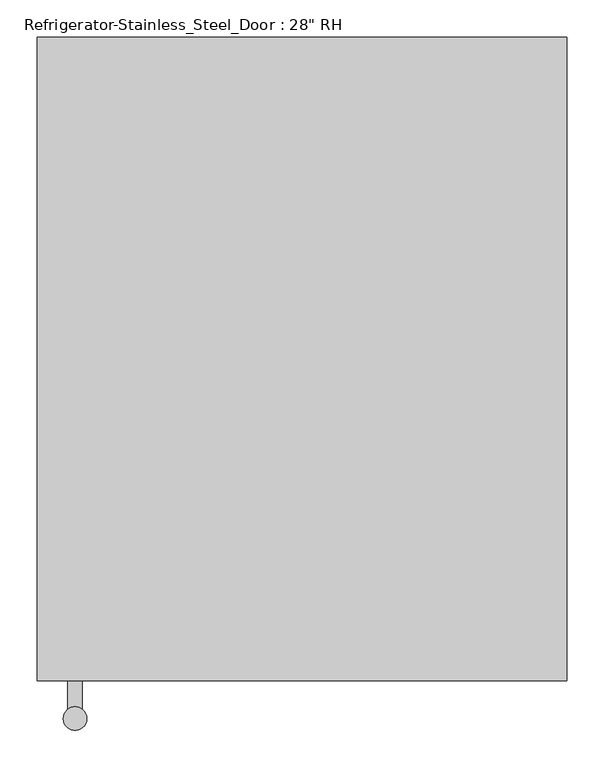
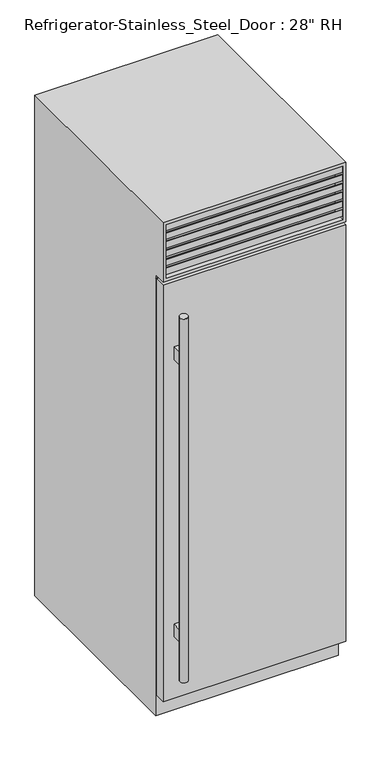
"""IFC4 building model written with IfcOpenShell, lengths in millimetres: proxy geometry."""

import ifcopenshell
import ifcopenshell.guid

model = None  # the IFC model being written
_history = None  # IfcOwnerHistory: only IFC2X3 demands one
_inside = {}  # id of a spatial element -> (the spatial element, [elements in it])
_under = {}  # id of a project, library or spatial element -> (it, [spatial elements below it])
_declared = {}  # id of a project -> (the project, [libraries it declares])
_typed = {}  # id of a type object -> (the type object, [elements of that type])
_made_of = {}  # id of a material, layer set ... -> (it, [elements and type objects made of it])


def new_model(schema):
    """Start an empty IFC model of exactly this schema.

    Asked for "IFC4X3", IfcOpenShell would pick the latest addendum, in which some entities
    have other attributes; the version numbers below select the first issue.
    IFC2X3 requires an IfcOwnerHistory on every rooted entity: one is made here for all.
    """
    global model, _history
    if schema == "IFC4X3":
        model = ifcopenshell.file(schema_version=(4, 3, 0, 0))
    else:
        model = ifcopenshell.file(schema=schema)
    _inside.clear()
    _under.clear()
    _declared.clear()
    _typed.clear()
    _made_of.clear()
    _history = None
    if model.schema == "IFC2X3":
        org = make("IfcOrganization", Name="unknown")
        user = make(
            "IfcPersonAndOrganization",
            ThePerson=make("IfcPerson", FamilyName="unknown"),
            TheOrganization=org,
        )
        app = make(
            "IfcApplication",
            ApplicationDeveloper=org,
            Version="unknown",
            ApplicationFullName="unknown",
            ApplicationIdentifier="unknown",
        )
        _history = make(
            "IfcOwnerHistory",
            OwningUser=user,
            OwningApplication=app,
            ChangeAction="ADDED",
            CreationDate=0,
        )
    return model


def make(cls, **values):
    """One entity of the class cls with the attributes given. An attribute that is None is left unset."""
    return model.create_entity(
        cls, **{name: value for name, value in values.items() if value is not None}
    )


def rooted(cls, **values):
    """An entity with a GlobalId (a new one), such as an element, a storey or a relation."""
    return make(cls, GlobalId=ifcopenshell.guid.new(), OwnerHistory=_history, **values)


def si_unit(unit_type, name, prefix=None):
    """IfcSIUnit, for example si_unit("LENGTHUNIT", "METRE", prefix="MILLI")."""
    return make("IfcSIUnit", UnitType=unit_type, Prefix=prefix, Name=name)


def assignment(units):
    """IfcUnitAssignment: the units of a project."""
    return None if units is None else make("IfcUnitAssignment", Units=units)


def point(xyz):
    """IfcCartesianPoint."""
    return None if xyz is None else make("IfcCartesianPoint", Coordinates=xyz)


def direction(xyz):
    """IfcDirection."""
    return None if xyz is None else make("IfcDirection", DirectionRatios=xyz)


def frame(location, z_axis=None, x_axis=None):
    """IfcAxis2Placement3D, a coordinate frame: its origin and axes. An axis left out is left unset."""
    return make(
        "IfcAxis2Placement3D",
        Location=point(location),
        Axis=direction(z_axis),
        RefDirection=direction(x_axis),
    )


def origin():
    """The frame at (0, 0, 0) with its axes left unset."""
    return frame((0.0, 0.0, 0.0))


def place(relative_to, where):
    """IfcLocalPlacement: puts the frame where relative to a parent placement (None: the world)."""
    return make(
        "IfcLocalPlacement", PlacementRelTo=relative_to, RelativePlacement=where
    )


def context(
    kind, dimensions, precision=None, world=None, true_north=None, identifier=None
):
    """IfcGeometricRepresentationContext, for example the 3D "Model" context."""
    return make(
        "IfcGeometricRepresentationContext",
        ContextIdentifier=identifier,
        ContextType=kind,
        CoordinateSpaceDimension=dimensions,
        Precision=precision,
        WorldCoordinateSystem=world,
        TrueNorth=true_north,
    )


def project(units=None, contexts=None):
    """IfcProject with its units and contexts."""
    return rooted(
        "IfcProject",
        Name="project",
        RepresentationContexts=contexts,
        UnitsInContext=assignment(units),
    )


def spatial(cls, under=None, at=None, **own):
    """A site, building, storey or space (cls), placed at a placement, below another one or the project."""
    s = rooted(cls, ObjectPlacement=at, **own)
    if under is not None:
        _under.setdefault(under.id(), (under, []))[1].append(s)
    return s


def polyline(points):
    """IfcPolyline through the points."""
    return make("IfcPolyline", Points=[point(p) for p in points])


def circle_curve(where, radius):
    """IfcCircle in the frame where."""
    return make("IfcCircle", Position=where, Radius=radius)


def ellipse_curve(where, semi_axis1, semi_axis2):
    """IfcEllipse in the frame where."""
    return make(
        "IfcEllipse", Position=where, SemiAxis1=semi_axis1, SemiAxis2=semi_axis2
    )


def outline(outer, holes=None, kind="AREA"):
    """IfcArbitraryClosedProfileDef: a profile drawn as a closed curve; with holes, ...WithVoids."""
    if holes is None:
        return make("IfcArbitraryClosedProfileDef", ProfileType=kind, OuterCurve=outer)
    return make(
        "IfcArbitraryProfileDefWithVoids",
        ProfileType=kind,
        OuterCurve=outer,
        InnerCurves=holes,
    )


def extrude(swept, where, along, depth):
    """IfcExtrudedAreaSolid: the profile swept, set in the frame where, extruded along a direction by depth."""
    return make(
        "IfcExtrudedAreaSolid",
        SweptArea=swept,
        Position=where,
        ExtrudedDirection=direction(along),
        Depth=depth,
    )


def faces_of(points, faces, orient=None, outer=None):
    """IfcFace entities. A face is a list of loops; a loop is a list of indices into points, from 0.

    orient and outer hold one flag for each loop. By default every Orientation is true, the
    first loop of a face is its IfcFaceOuterBound and the others are IfcFaceBound.
    """
    made = []
    for i, loops in enumerate(faces):
        bounds = []
        for j, loop in enumerate(loops):
            is_outer = j == 0 if outer is None else outer[i][j]
            bounds.append(
                make(
                    "IfcFaceOuterBound" if is_outer else "IfcFaceBound",
                    Bound=make("IfcPolyLoop", Polygon=[points[k] for k in loop]),
                    Orientation=True if orient is None else orient[i][j],
                )
            )
        made.append(make("IfcFace", Bounds=bounds))
    return made


def faceted_brep(points, faces, orient=None, outer=None, voids=None):
    """IfcFacetedBrep: a solid bounded by flat faces; with voids (closed shells), ...WithVoids."""
    shared = [point(p) for p in points]
    hull = make("IfcClosedShell", CfsFaces=faces_of(shared, faces, orient, outer))
    if voids is None:
        return make("IfcFacetedBrep", Outer=hull)
    return make(
        "IfcFacetedBrepWithVoids",
        Outer=hull,
        Voids=[
            make(cls, CfsFaces=faces_of(shared, fs, o, b)) for cls, fs, o, b in voids
        ],
    )


def shape(context_of_items, identifier, shape_type, items):
    """IfcShapeRepresentation: the items that make up one representation, for example the "Body"."""
    return make(
        "IfcShapeRepresentation",
        ContextOfItems=context_of_items,
        RepresentationIdentifier=identifier,
        RepresentationType=shape_type,
        Items=items,
    )


def source(mapping_origin, context_of_items, identifier, shape_type, items):
    """IfcRepresentationMap: a shape defined once, which mapped items show again and again."""
    return make(
        "IfcRepresentationMap",
        MappingOrigin=mapping_origin,
        MappedRepresentation=shape(context_of_items, identifier, shape_type, items),
    )


def transform(
    local_origin,
    x_axis=None,
    y_axis=None,
    z_axis=None,
    scale=None,
    scale2=None,
    scale3=None,
    uniform=True,
):
    """IfcCartesianTransformationOperator3D, or its non-uniform kind. x_axis, y_axis, z_axis: its Axis1, 2, 3."""
    if uniform:
        return make(
            "IfcCartesianTransformationOperator3D",
            Axis1=direction(x_axis),
            Axis2=direction(y_axis),
            LocalOrigin=point(local_origin),
            Scale=scale,
            Axis3=direction(z_axis),
        )
    return make(
        "IfcCartesianTransformationOperator3DnonUniform",
        Axis1=direction(x_axis),
        Axis2=direction(y_axis),
        LocalOrigin=point(local_origin),
        Scale=scale,
        Axis3=direction(z_axis),
        Scale2=scale2,
        Scale3=scale3,
    )


def mapped(mapping_source, mapping_target):
    """IfcMappedItem: shows the shape of a source again, moved by a transform."""
    return make(
        "IfcMappedItem", MappingSource=mapping_source, MappingTarget=mapping_target
    )


def made_of(thing, what):
    """Note that an element or type object is made of a material, layer set ...; save() writes the relation."""
    if what is not None:
        _made_of.setdefault(what.id(), (what, []))[1].append(thing)
    return thing


def element(
    cls,
    number,
    at=None,
    inside=None,
    cuts=None,
    type_object=None,
    material=None,
    context=None,
    identifier="Body",
    shape_type=None,
    held_by="IfcProductDefinitionShape",
    body=None,
    shapes=None,
    **own,
):
    """One element of the class cls, such as IfcWall. Its Tag is "e" and its number.

    at: its placement. inside: the storey or other place that contains it. cuts: it is an
    opening in that element (IfcRelVoidsElement). A single representation is given by context,
    identifier, shape_type and body (its items); several are given by shapes. held_by: the class
    of the entity that holds the representations. save() writes the other relations.
    """
    e = rooted(cls, Tag="e%d" % number, ObjectPlacement=at, **own)
    if body is not None:
        shapes = [shape(context, identifier, shape_type, body)]
    if shapes is not None:
        e.Representation = make(held_by, Representations=shapes)
    if inside is not None:
        _inside.setdefault(inside.id(), (inside, []))[1].append(e)
    if cuts is not None:
        rooted(
            "IfcRelVoidsElement", RelatingBuildingElement=cuts, RelatedOpeningElement=e
        )
    if type_object is not None:
        _typed.setdefault(type_object.id(), (type_object, []))[1].append(e)
    return made_of(e, material)


def aggregate(whole, parts):
    """IfcRelAggregates: a whole, such as a stair, and the parts it consists of."""
    return rooted("IfcRelAggregates", RelatingObject=whole, RelatedObjects=parts)


def save(model, path):
    """Write the relations noted so far, then the file.

    IfcRelAggregates (storeys below a building ...), IfcRelContainedInSpatialStructure (elements
    in a storey), IfcRelDefinesByType, IfcRelAssociatesMaterial and IfcRelDeclares: one each for
    every whole, place, type object, material and project.
    """
    for whole, parts in _under.values():
        aggregate(whole, parts)
    for where, things in _inside.values():
        rooted(
            "IfcRelContainedInSpatialStructure",
            RelatedElements=things,
            RelatingStructure=where,
        )
    for kind, things in _typed.values():
        rooted("IfcRelDefinesByType", RelatedObjects=things, RelatingType=kind)
    for what, things in _made_of.values():
        rooted("IfcRelAssociatesMaterial", RelatedObjects=things, RelatingMaterial=what)
    for by, libraries in _declared.values():
        rooted("IfcRelDeclares", RelatingContext=by, RelatedDefinitions=libraries)
    model.write(path)


def plane_surface(at):
    """IfcPlane: the flat surface through the origin of the frame at, square to its z axis."""
    return make("IfcPlane", Position=at)


def cylinder_surface(at, radius):
    """IfcCylindricalSurface: all points at the distance radius from the z axis of the frame at."""
    return make("IfcCylindricalSurface", Position=at, Radius=radius)


def advanced_brep(points, edges, surfaces, faces):
    """IfcAdvancedBrep: a solid bounded by faces that lie on surfaces and meet in shared edges.

    An edge is (start, end): straight between two places in points (the first is 0);
    or (start, end, curve); or (start, end, curve, False) where it runs against its curve.
    A face is (place in surfaces, loops), or (place, loops, False) where it looks against
    its surface's normal. A loop lists edges by number (the first is 1), with a minus sign
    where the edge is run from its end to its start. The first loop is the outer one.
    """
    corners = [point(p) for p in points]
    vertices = [make("IfcVertexPoint", VertexGeometry=c) for c in corners]
    made = []
    for start, end, *more in edges:
        made.append(
            make(
                "IfcEdgeCurve",
                EdgeStart=vertices[start],
                EdgeEnd=vertices[end],
                EdgeGeometry=more[0] if more else make("IfcPolyline", Points=[corners[start], corners[end]]),
                SameSense=more[1] if len(more) > 1 else True,
            )
        )
    hull = []
    for where, loops, *sense in faces:
        bounds = []
        for j, loop in enumerate(loops):
            ring = [make("IfcOrientedEdge", EdgeElement=made[abs(k) - 1], Orientation=k > 0) for k in loop]
            bounds.append(
                make(
                    "IfcFaceOuterBound" if j == 0 else "IfcFaceBound",
                    Bound=make("IfcEdgeLoop", EdgeList=ring),
                    Orientation=True,
                )
            )
        hull.append(make("IfcAdvancedFace", Bounds=bounds, FaceSurface=surfaces[where], SameSense=sense[0] if sense else True))
    return make("IfcAdvancedBrep", Outer=make("IfcClosedShell", CfsFaces=hull))


def proxy_10066ced(model_context):
    return source(origin(), model_context, "Body", "SolidModel", [
        extrude(outline(polyline([(-914.4, 1825.625), (-962.025, 1838.3860803), (-962.025, 1863.7860803), (-958.85, 1863.7860803), (-958.85, 1840.9368938), (-914.4, 1829.0265522), (-914.4, 1825.625)])), frame((-342.9, 0.0, 0.0), z_axis=(1.0, 0.0, 0.0), x_axis=(0.0, 1.0, 0.0)), (0.0, 0.0, 1.0), 685.8),
        extrude(outline(polyline([(-914.4, 1861.8077839), (-962.025, 1874.5688642), (-962.025, 1899.9688642), (-958.85, 1899.9688642), (-958.85, 1877.1196777), (-914.4, 1865.2093361), (-914.4, 1861.8077839)])), frame((-342.9, 0.0, 0.0), z_axis=(1.0, 0.0, 0.0), x_axis=(0.0, 1.0, 0.0)), (0.0, 0.0, 1.0), 685.8),
        extrude(outline(polyline([(-914.4, 1897.9905679), (-962.025, 1910.7516482), (-962.025, 1936.1516482), (-958.85, 1936.1516482), (-958.85, 1913.3024616), (-914.4, 1901.39212), (-914.4, 1897.9905679)])), frame((-342.9, 0.0, 0.0), z_axis=(1.0, 0.0, 0.0), x_axis=(0.0, 1.0, 0.0)), (0.0, 0.0, 1.0), 685.8),
        extrude(outline(polyline([(-914.4, 1934.1733518), (-962.025, 1946.9344321), (-962.025, 1972.3344321), (-958.85, 1972.3344321), (-958.85, 1949.4852456), (-914.4, 1937.574904), (-914.4, 1934.1733518)])), frame((-342.9, 0.0, 0.0), z_axis=(1.0, 0.0, 0.0), x_axis=(0.0, 1.0, 0.0)), (0.0, 0.0, 1.0), 685.8),
        extrude(outline(polyline([(-914.4, 1970.3561358), (-962.025, 1983.1172161), (-962.025, 2008.5172161), (-958.85, 2008.5172161), (-958.85, 1985.6680295), (-914.4, 1973.7576879), (-914.4, 1970.3561358)])), frame((-342.9, 0.0, 0.0), z_axis=(1.0, 0.0, 0.0), x_axis=(0.0, 1.0, 0.0)), (0.0, 0.0, 1.0), 685.8),
        extrude(outline(polyline([(-914.4, 2006.5389197), (-962.025, 2019.3), (-962.025, 2044.7), (-958.85, 2044.7), (-958.85, 2021.8508135), (-914.4, 2009.9404719), (-914.4, 2006.5389197)])), frame((-342.9, 0.0, 0.0), z_axis=(1.0, 0.0, 0.0), x_axis=(0.0, 1.0, 0.0)), (0.0, 0.0, 1.0), 685.8),
        faceted_brep([(355.6, -965.2, 2057.4), (-355.6, -965.2, 2057.4), (-355.6, -965.2, 1812.925), (355.6, -965.2, 1812.925), (342.9, -965.2, 2044.7), (342.9, -965.2, 1825.625), (-342.9, -965.2, 1825.625), (-342.9, -965.2, 2044.7), (355.6, -101.6, 2057.4), (-355.6, -101.6, 2057.4), (-355.6, -101.6, 0.0), (-355.6, -914.4, 0.0), (-355.6, -914.4, 1812.925), (355.6, -914.4, 1812.925), (355.6, -914.4, 0.0), (355.6, -101.6, 0.0), (-342.9, -914.4, 2044.7), (342.9, -914.4, 2044.7), (-342.9, -914.4, 1825.625), (342.9, -914.4, 1825.625)], [[[0, 1, 2, 3], [4, 5, 6, 7]], [[1, 0, 8, 9]], [[2, 1, 9, 10, 11, 12]], [[3, 2, 12, 13]], [[8, 0, 3, 13, 14, 15]], [[4, 7, 16, 17]], [[7, 6, 18, 16]], [[6, 5, 19, 18]], [[5, 4, 17, 19]], [[15, 14, 11, 10]], [[9, 8, 15, 10]], [[17, 16, 18, 19]], [[11, 14, 13, 12]]]),
        extrude(outline(polyline([(-355.6, -920.75), (355.6, -920.75), (355.6, -965.2), (-355.6, -965.2), (-355.6, -920.75)])), frame((0.0, 0.0, 88.9), z_axis=(0.0, 0.0, 1.0), x_axis=(1.0, 0.0, 0.0)), (0.0, 0.0, 1.0), 1711.325),
        advanced_brep(
        [(-295.275, -965.2, 1533.525), (-295.275, -965.2, 1482.725), (-314.325, -965.2, 1482.725), (-314.325, -965.2, 1533.525), (-295.275, -965.2, 393.7), (-295.275, -965.2, 342.9), (-314.325, -965.2, 342.9), (-314.325, -965.2, 393.7), (-295.275, -1003.6741958, 1533.525), (-295.275, -1003.6741958, 1482.725), (-314.325, -1003.6741958, 1482.725), (-314.325, -1003.6741958, 1533.525), (-295.275, -1003.6741958, 393.7), (-295.275, -1003.6741958, 342.9), (-314.325, -1003.6741958, 342.9), (-314.325, -1003.6741958, 393.7), (-320.675, -1016.3741958, 1685.925), (-288.925, -1016.3741958, 1685.925), (-320.675, -1016.3741958, 190.5), (-288.925, -1016.3741958, 190.5)],
        [
            (0, 1),
            (1, 2),
            (2, 3),
            (3, 0),
            (4, 5),
            (5, 6),
            (6, 7),
            (7, 4),
            (0, 8),
            (8, 9),
            (9, 1),
            (9, 10, circle_curve(frame((-304.8, -1016.3741958, 1482.725), z_axis=(0.0, 0.0, 1.0), x_axis=(1.0, 0.0, 0.0)), 15.875)),
            (10, 2),
            (10, 11),
            (11, 3),
            (11, 8, circle_curve(frame((-304.8, -1016.3741958, 1533.525), z_axis=(0.0, 0.0, -1.0), x_axis=(1.0, 0.0, 0.0)), 15.875)),
            (4, 12),
            (12, 13),
            (13, 5),
            (13, 14, circle_curve(frame((-304.8, -1016.3741958, 342.9), z_axis=(0.0, 0.0, 1.0), x_axis=(1.0, 0.0, 0.0)), 15.875)),
            (14, 6),
            (14, 15),
            (15, 7),
            (15, 12, circle_curve(frame((-304.8, -1016.3741958, 393.7), z_axis=(0.0, 0.0, -1.0), x_axis=(1.0, 0.0, 0.0)), 15.875)),
            (16, 17, circle_curve(frame((-304.8, -1016.3741958, 1685.925), z_axis=(0.0, 0.0, 1.0), x_axis=(1.0, 0.0, 0.0)), 15.875)),
            (17, 16, circle_curve(frame((-304.8, -1016.3741958, 1685.925), z_axis=(0.0, 0.0, 1.0), x_axis=(1.0, 0.0, 0.0)), 15.875)),
            (18, 19, circle_curve(frame((-304.8, -1016.3741958, 190.5), z_axis=(0.0, 0.0, -1.0), x_axis=(1.0, 0.0, 0.0)), 15.875)),
            (19, 18, circle_curve(frame((-304.8, -1016.3741958, 190.5), z_axis=(0.0, 0.0, -1.0), x_axis=(1.0, 0.0, 0.0)), 15.875)),
            (16, 18),
            (19, 17),
        ],
        [
            plane_surface(frame((-295.275, -965.2, 1533.525), z_axis=(0.0, 1.0, 0.0), x_axis=(0.0, 0.0, -1.0))),
            plane_surface(frame((-295.275, -965.2, 1533.525), z_axis=(1.0, 0.0, 0.0), x_axis=(0.0, -1.0, 0.0))),
            plane_surface(frame((-295.275, -965.2, 1482.725), z_axis=(0.0, 0.0, -1.0), x_axis=(0.0, -1.0, 0.0))),
            plane_surface(frame((-314.325, -965.2, 1482.725), z_axis=(-1.0, 0.0, 0.0), x_axis=(0.0, -1.0, 0.0))),
            plane_surface(frame((-314.325, -965.2, 1533.525), z_axis=(0.0, 0.0, 1.0), x_axis=(0.0, -1.0, 0.0))),
            plane_surface(frame((-295.275, -965.2, 393.7), z_axis=(1.0, 0.0, 0.0), x_axis=(0.0, -1.0, 0.0))),
            plane_surface(frame((-295.275, -965.2, 342.9), z_axis=(0.0, 0.0, -1.0), x_axis=(0.0, -1.0, 0.0))),
            plane_surface(frame((-314.325, -965.2, 342.9), z_axis=(-1.0, 0.0, 0.0), x_axis=(0.0, -1.0, 0.0))),
            plane_surface(frame((-314.325, -965.2, 393.7), z_axis=(0.0, 0.0, 1.0), x_axis=(0.0, -1.0, 0.0))),
            plane_surface(frame((-288.925, -1016.3741958, 1685.925), z_axis=(0.0, 0.0, 1.0), x_axis=(0.0, 1.0, 0.0))),
            plane_surface(frame((-288.925, -1016.3741958, 190.5), z_axis=(0.0, 0.0, -1.0), x_axis=(0.0, -1.0, 0.0))),
            cylinder_surface(frame((-304.8, -1016.3741958, 190.5), z_axis=(0.0, 0.0, 1.0), x_axis=(1.0, 0.0, 0.0)), 15.875),
        ],
        [
            (0, [[1, 2, 3, 4]]),
            (0, [[5, 6, 7, 8]]),
            (1, [[-1, 9, 10, 11]]),
            (2, [[-2, -11, 12, 13]]),
            (3, [[-3, -13, 14, 15]]),
            (4, [[-4, -15, 16, -9]]),
            (5, [[-5, 17, 18, 19]]),
            (6, [[-6, -19, 20, 21]]),
            (7, [[-7, -21, 22, 23]]),
            (8, [[-8, -23, 24, -17]]),
            (9, [[25, 26]]),
            (10, [[27, 28]]),
            (11, [[-25, 29, -28, 30]]),
            (11, [[-26, -30, -27, -29], [-10, -16, -14, -12], [-18, -24, -22, -20]]),
        ],
    ),
        advanced_brep(
        [(-352.425, -920.75, 1797.05), (-352.425, -914.4, 1797.05), (-352.425, -914.4, 92.075), (-352.425, -920.75, 92.075), (-349.25, -914.4, 1793.875), (-349.25, -920.75, 1793.875), (-349.25, -920.75, 95.25), (-349.25, -914.4, 95.25), (352.425, -914.4, 92.075), (352.425, -920.75, 92.075), (349.25, -920.75, 95.25), (349.25, -914.4, 95.25), (352.425, -914.4, 1797.05), (352.425, -920.75, 1797.05), (349.25, -920.75, 1793.875), (349.25, -914.4, 1793.875)],
        [
            (0, 1, ellipse_curve(frame((-352.425, -917.575, 1797.05), z_axis=(-0.7071067811865476, 0.0, -0.7071067811865475), x_axis=(-0.7071067811865475, 0.0, 0.7071067811865475)), 4.4901281, 3.175)),
            (1, 2),
            (2, 3, ellipse_curve(frame((-352.425, -917.575, 92.075), z_axis=(-0.7071067811865475, 0.0, 0.7071067811865476), x_axis=(0.7071067811865475, 0.0, 0.7071067811865476)), 4.4901281, 3.175)),
            (3, 0),
            (4, 5),
            (5, 6),
            (6, 7),
            (7, 4),
            (2, 8),
            (8, 9, ellipse_curve(frame((352.425, -917.575, 92.075), z_axis=(-0.7071067811865476, 0.0, -0.7071067811865475), x_axis=(-0.7071067811865476, 0.0, 0.7071067811865475)), 4.4901281, 3.175)),
            (9, 3),
            (6, 10),
            (10, 11),
            (11, 7),
            (8, 12),
            (12, 13, ellipse_curve(frame((352.425, -917.575, 1797.05), z_axis=(0.7071067811865474, 0.0, -0.7071067811865476), x_axis=(-0.7071067811865475, 0.0, -0.7071067811865476)), 4.4901281, 3.175)),
            (13, 9),
            (10, 14),
            (14, 15),
            (15, 11),
            (1, 12),
            (15, 4),
            (0, 13),
            (5, 14),
        ],
        [
            cylinder_surface(frame((-352.425, -917.575, 1800.225), z_axis=(0.0, 0.0, 1.0), x_axis=(0.0, -1.0, 0.0)), 3.175),
            plane_surface(frame((-349.25, -920.75, 1793.875), z_axis=(1.0, 0.0, 0.0), x_axis=(0.0, 0.0, -1.0))),
            cylinder_surface(frame((-355.6, -917.575, 92.075), z_axis=(-1.0, 0.0, 0.0), x_axis=(0.0, -1.0, 0.0)), 3.175),
            plane_surface(frame((-349.25, -920.75, 95.25), z_axis=(0.0, 0.0, 1.0), x_axis=(1.0, 0.0, 0.0))),
            cylinder_surface(frame((352.425, -917.575, 88.9), z_axis=(0.0, 0.0, -1.0), x_axis=(0.0, -1.0, 0.0)), 3.175),
            plane_surface(frame((349.25, -920.75, 95.25), z_axis=(-1.0, 0.0, 0.0), x_axis=(0.0, 0.0, 1.0))),
            plane_surface(frame((349.25, -914.4, 1793.875), z_axis=(0.0, 1.0, 0.0), x_axis=(-1.0, 0.0, 0.0))),
            cylinder_surface(frame((355.6, -917.575, 1797.05), z_axis=(1.0, 0.0, 0.0), x_axis=(0.0, -1.0, 0.0)), 3.175),
            plane_surface(frame((352.425, -920.75, 1797.05), z_axis=(0.0, -1.0, 0.0), x_axis=(-1.0, 0.0, 0.0))),
            plane_surface(frame((349.25, -920.75, 1793.875), z_axis=(0.0, 0.0, -1.0), x_axis=(-1.0, 0.0, 0.0))),
        ],
        [
            (0, [[1, 2, 3, 4]]),
            (1, [[5, 6, 7, 8]]),
            (2, [[-3, 9, 10, 11]]),
            (3, [[-7, 12, 13, 14]]),
            (4, [[-10, 15, 16, 17]]),
            (5, [[-13, 18, 19, 20]]),
            (6, [[21, -15, -9, -2], [-14, -20, 22, -8]]),
            (7, [[-16, -21, -1, 23]]),
            (8, [[-11, -17, -23, -4], [24, -18, -12, -6]]),
            (9, [[-19, -24, -5, -22]]),
        ],
    ),
    ])


if __name__ == "__main__":
    model = new_model("IFC4")
    model_context = context("Model", 3, world=origin())
    ifc_project = project(units=[si_unit("LENGTHUNIT", "METRE", prefix="MILLI")], contexts=[model_context])
    site = spatial("IfcSite", under=ifc_project)
    building = spatial("IfcBuilding", under=site)
    placement = place(None, origin())
    proxy_shape = proxy_10066ced(model_context)
    element("IfcBuildingElementProxy", 1, Name="Refrigerator-Stainless_Steel_Door : 28\" RH", ObjectType="Refrigerator-Stainless_Steel_Door : 28\" RH", at=placement, inside=building, context=model_context, shape_type="MappedRepresentation", body=[
        mapped(proxy_shape, transform((0.0, 0.0, 0.0), x_axis=(1.0, 0.0, 0.0), y_axis=(0.0, 1.0, 0.0), z_axis=(0.0, 0.0, 1.0))),
    ])
    save(model, "model.ifc")
